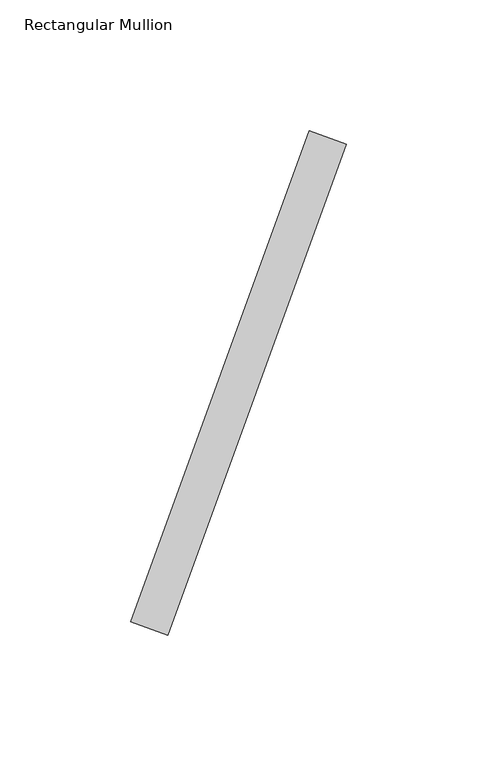
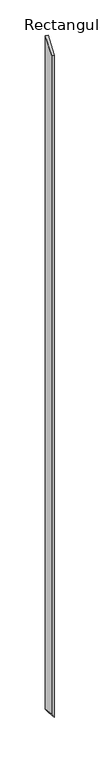
"""IFC4 building model written with IfcOpenShell, lengths in millimetres: member geometry, Rectangular Mullion."""

from ifc_helpers import new_model, si_unit, origin, place, context, project, spatial, faceted_brep, source, transform, mapped, element, save


def rectangular_mullion_8ffebda1(model_context):
    return source(origin(), model_context, "Body", "Brep", [
        faceted_brep([(3.0980396, 52.36886, 0.0), (17.193429, 47.2385578, 0.0), (85.5974576, 235.177082, 0.0), (71.5020683, 240.3073841, 0.0), (3.0980396, 52.36886, -4524.7498739), (17.193429, 47.2385578, -4546.1823133), (85.5974576, 235.177082, -4650.1925801), (71.5020683, 240.3073841, -4628.7601406)], [[[0, 1, 2, 3]], [[1, 0, 4, 5]], [[2, 1, 5, 6]], [[3, 2, 6, 7]], [[0, 3, 7, 4]], [[4, 7, 6, 5]]]),
    ])


if __name__ == "__main__":
    model = new_model("IFC4")
    model_context = context("Model", 3, world=origin())
    ifc_project = project(units=[si_unit("LENGTHUNIT", "METRE", prefix="MILLI")], contexts=[model_context])
    site = spatial("IfcSite", under=ifc_project)
    building = spatial("IfcBuilding", under=site)
    placement = place(None, origin())
    rectangular_mullion_shape = rectangular_mullion_8ffebda1(model_context)
    element("IfcMember", 1, ObjectType="Rectangular Mullion", at=placement, inside=building, context=model_context, shape_type="MappedRepresentation", body=[
        mapped(rectangular_mullion_shape, transform((0.0, 0.0, 0.0), x_axis=(1.0, 0.0, 0.0), y_axis=(0.0, 1.0, 0.0), z_axis=(0.0, 0.0, 1.0))),
    ])
    save(model, "model.ifc")
